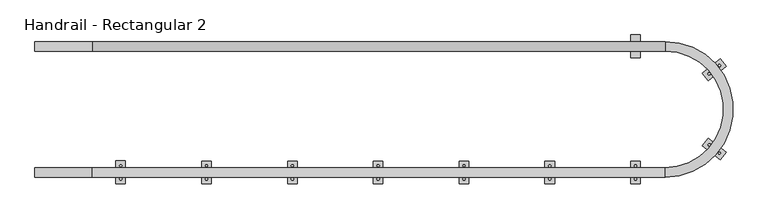
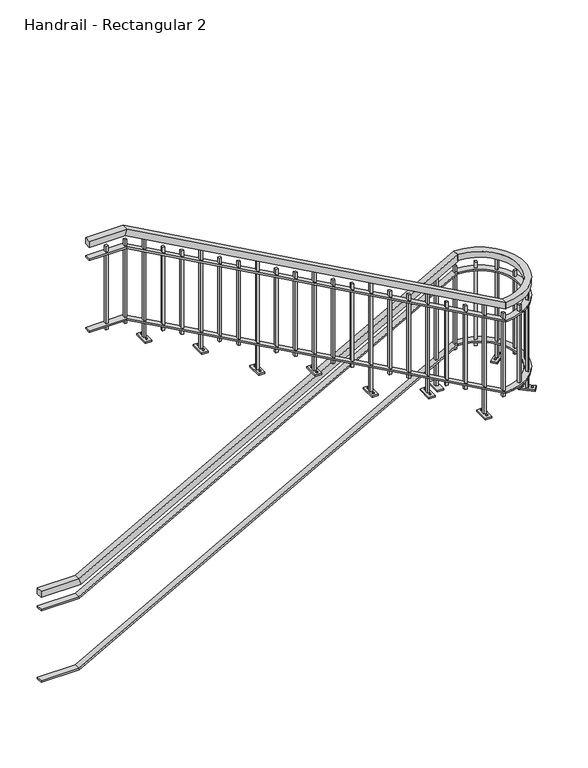
"""IFC4 building model written with IfcOpenShell, lengths in millimetres: railing geometry, Handrail - Rectangular 2."""

import ifcopenshell
import ifcopenshell.guid

model = None  # the IFC model being written
_history = None  # IfcOwnerHistory: only IFC2X3 demands one
_inside = {}  # id of a spatial element -> (the spatial element, [elements in it])
_under = {}  # id of a project, library or spatial element -> (it, [spatial elements below it])
_declared = {}  # id of a project -> (the project, [libraries it declares])
_typed = {}  # id of a type object -> (the type object, [elements of that type])
_made_of = {}  # id of a material, layer set ... -> (it, [elements and type objects made of it])


def new_model(schema):
    """Start an empty IFC model of exactly this schema.

    Asked for "IFC4X3", IfcOpenShell would pick the latest addendum, in which some entities
    have other attributes; the version numbers below select the first issue.
    IFC2X3 requires an IfcOwnerHistory on every rooted entity: one is made here for all.
    """
    global model, _history
    if schema == "IFC4X3":
        model = ifcopenshell.file(schema_version=(4, 3, 0, 0))
    else:
        model = ifcopenshell.file(schema=schema)
    _inside.clear()
    _under.clear()
    _declared.clear()
    _typed.clear()
    _made_of.clear()
    _history = None
    if model.schema == "IFC2X3":
        org = make("IfcOrganization", Name="unknown")
        user = make(
            "IfcPersonAndOrganization",
            ThePerson=make("IfcPerson", FamilyName="unknown"),
            TheOrganization=org,
        )
        app = make(
            "IfcApplication",
            ApplicationDeveloper=org,
            Version="unknown",
            ApplicationFullName="unknown",
            ApplicationIdentifier="unknown",
        )
        _history = make(
            "IfcOwnerHistory",
            OwningUser=user,
            OwningApplication=app,
            ChangeAction="ADDED",
            CreationDate=0,
        )
    return model


def make(cls, **values):
    """One entity of the class cls with the attributes given. An attribute that is None is left unset."""
    return model.create_entity(
        cls, **{name: value for name, value in values.items() if value is not None}
    )


def rooted(cls, **values):
    """An entity with a GlobalId (a new one), such as an element, a storey or a relation."""
    return make(cls, GlobalId=ifcopenshell.guid.new(), OwnerHistory=_history, **values)


def si_unit(unit_type, name, prefix=None):
    """IfcSIUnit, for example si_unit("LENGTHUNIT", "METRE", prefix="MILLI")."""
    return make("IfcSIUnit", UnitType=unit_type, Prefix=prefix, Name=name)


def assignment(units):
    """IfcUnitAssignment: the units of a project."""
    return None if units is None else make("IfcUnitAssignment", Units=units)


def point(xyz):
    """IfcCartesianPoint."""
    return None if xyz is None else make("IfcCartesianPoint", Coordinates=xyz)


def direction(xyz):
    """IfcDirection."""
    return None if xyz is None else make("IfcDirection", DirectionRatios=xyz)


def frame(location, z_axis=None, x_axis=None):
    """IfcAxis2Placement3D, a coordinate frame: its origin and axes. An axis left out is left unset."""
    return make(
        "IfcAxis2Placement3D",
        Location=point(location),
        Axis=direction(z_axis),
        RefDirection=direction(x_axis),
    )


def origin():
    """The frame at (0, 0, 0) with its axes left unset."""
    return frame((0.0, 0.0, 0.0))


def place(relative_to, where):
    """IfcLocalPlacement: puts the frame where relative to a parent placement (None: the world)."""
    return make(
        "IfcLocalPlacement", PlacementRelTo=relative_to, RelativePlacement=where
    )


def context(
    kind, dimensions, precision=None, world=None, true_north=None, identifier=None
):
    """IfcGeometricRepresentationContext, for example the 3D "Model" context."""
    return make(
        "IfcGeometricRepresentationContext",
        ContextIdentifier=identifier,
        ContextType=kind,
        CoordinateSpaceDimension=dimensions,
        Precision=precision,
        WorldCoordinateSystem=world,
        TrueNorth=true_north,
    )


def project(units=None, contexts=None):
    """IfcProject with its units and contexts."""
    return rooted(
        "IfcProject",
        Name="project",
        RepresentationContexts=contexts,
        UnitsInContext=assignment(units),
    )


def spatial(cls, under=None, at=None, **own):
    """A site, building, storey or space (cls), placed at a placement, below another one or the project."""
    s = rooted(cls, ObjectPlacement=at, **own)
    if under is not None:
        _under.setdefault(under.id(), (under, []))[1].append(s)
    return s


def polyline(points):
    """IfcPolyline through the points."""
    return make("IfcPolyline", Points=[point(p) for p in points])


def circle_curve(where, radius):
    """IfcCircle in the frame where."""
    return make("IfcCircle", Position=where, Radius=radius)


def outline(outer, holes=None, kind="AREA"):
    """IfcArbitraryClosedProfileDef: a profile drawn as a closed curve; with holes, ...WithVoids."""
    if holes is None:
        return make("IfcArbitraryClosedProfileDef", ProfileType=kind, OuterCurve=outer)
    return make(
        "IfcArbitraryProfileDefWithVoids",
        ProfileType=kind,
        OuterCurve=outer,
        InnerCurves=holes,
    )


def extrude(swept, where, along, depth):
    """IfcExtrudedAreaSolid: the profile swept, set in the frame where, extruded along a direction by depth."""
    return make(
        "IfcExtrudedAreaSolid",
        SweptArea=swept,
        Position=where,
        ExtrudedDirection=direction(along),
        Depth=depth,
    )


def faces_of(points, faces, orient=None, outer=None):
    """IfcFace entities. A face is a list of loops; a loop is a list of indices into points, from 0.

    orient and outer hold one flag for each loop. By default every Orientation is true, the
    first loop of a face is its IfcFaceOuterBound and the others are IfcFaceBound.
    """
    made = []
    for i, loops in enumerate(faces):
        bounds = []
        for j, loop in enumerate(loops):
            is_outer = j == 0 if outer is None else outer[i][j]
            bounds.append(
                make(
                    "IfcFaceOuterBound" if is_outer else "IfcFaceBound",
                    Bound=make("IfcPolyLoop", Polygon=[points[k] for k in loop]),
                    Orientation=True if orient is None else orient[i][j],
                )
            )
        made.append(make("IfcFace", Bounds=bounds))
    return made


def faceted_brep(points, faces, orient=None, outer=None, voids=None):
    """IfcFacetedBrep: a solid bounded by flat faces; with voids (closed shells), ...WithVoids."""
    shared = [point(p) for p in points]
    hull = make("IfcClosedShell", CfsFaces=faces_of(shared, faces, orient, outer))
    if voids is None:
        return make("IfcFacetedBrep", Outer=hull)
    return make(
        "IfcFacetedBrepWithVoids",
        Outer=hull,
        Voids=[
            make(cls, CfsFaces=faces_of(shared, fs, o, b)) for cls, fs, o, b in voids
        ],
    )


def shape(context_of_items, identifier, shape_type, items):
    """IfcShapeRepresentation: the items that make up one representation, for example the "Body"."""
    return make(
        "IfcShapeRepresentation",
        ContextOfItems=context_of_items,
        RepresentationIdentifier=identifier,
        RepresentationType=shape_type,
        Items=items,
    )


def source(mapping_origin, context_of_items, identifier, shape_type, items):
    """IfcRepresentationMap: a shape defined once, which mapped items show again and again."""
    return make(
        "IfcRepresentationMap",
        MappingOrigin=mapping_origin,
        MappedRepresentation=shape(context_of_items, identifier, shape_type, items),
    )


def transform(
    local_origin,
    x_axis=None,
    y_axis=None,
    z_axis=None,
    scale=None,
    scale2=None,
    scale3=None,
    uniform=True,
):
    """IfcCartesianTransformationOperator3D, or its non-uniform kind. x_axis, y_axis, z_axis: its Axis1, 2, 3."""
    if uniform:
        return make(
            "IfcCartesianTransformationOperator3D",
            Axis1=direction(x_axis),
            Axis2=direction(y_axis),
            LocalOrigin=point(local_origin),
            Scale=scale,
            Axis3=direction(z_axis),
        )
    return make(
        "IfcCartesianTransformationOperator3DnonUniform",
        Axis1=direction(x_axis),
        Axis2=direction(y_axis),
        LocalOrigin=point(local_origin),
        Scale=scale,
        Axis3=direction(z_axis),
        Scale2=scale2,
        Scale3=scale3,
    )


def mapped(mapping_source, mapping_target):
    """IfcMappedItem: shows the shape of a source again, moved by a transform."""
    return make(
        "IfcMappedItem", MappingSource=mapping_source, MappingTarget=mapping_target
    )


def made_of(thing, what):
    """Note that an element or type object is made of a material, layer set ...; save() writes the relation."""
    if what is not None:
        _made_of.setdefault(what.id(), (what, []))[1].append(thing)
    return thing


def element(
    cls,
    number,
    at=None,
    inside=None,
    cuts=None,
    type_object=None,
    material=None,
    context=None,
    identifier="Body",
    shape_type=None,
    held_by="IfcProductDefinitionShape",
    body=None,
    shapes=None,
    **own,
):
    """One element of the class cls, such as IfcWall. Its Tag is "e" and its number.

    at: its placement. inside: the storey or other place that contains it. cuts: it is an
    opening in that element (IfcRelVoidsElement). A single representation is given by context,
    identifier, shape_type and body (its items); several are given by shapes. held_by: the class
    of the entity that holds the representations. save() writes the other relations.
    """
    e = rooted(cls, Tag="e%d" % number, ObjectPlacement=at, **own)
    if body is not None:
        shapes = [shape(context, identifier, shape_type, body)]
    if shapes is not None:
        e.Representation = make(held_by, Representations=shapes)
    if inside is not None:
        _inside.setdefault(inside.id(), (inside, []))[1].append(e)
    if cuts is not None:
        rooted(
            "IfcRelVoidsElement", RelatingBuildingElement=cuts, RelatedOpeningElement=e
        )
    if type_object is not None:
        _typed.setdefault(type_object.id(), (type_object, []))[1].append(e)
    return made_of(e, material)


def aggregate(whole, parts):
    """IfcRelAggregates: a whole, such as a stair, and the parts it consists of."""
    return rooted("IfcRelAggregates", RelatingObject=whole, RelatedObjects=parts)


def save(model, path):
    """Write the relations noted so far, then the file.

    IfcRelAggregates (storeys below a building ...), IfcRelContainedInSpatialStructure (elements
    in a storey), IfcRelDefinesByType, IfcRelAssociatesMaterial and IfcRelDeclares: one each for
    every whole, place, type object, material and project.
    """
    for whole, parts in _under.values():
        aggregate(whole, parts)
    for where, things in _inside.values():
        rooted(
            "IfcRelContainedInSpatialStructure",
            RelatedElements=things,
            RelatingStructure=where,
        )
    for kind, things in _typed.values():
        rooted("IfcRelDefinesByType", RelatedObjects=things, RelatingType=kind)
    for what, things in _made_of.values():
        rooted("IfcRelAssociatesMaterial", RelatedObjects=things, RelatingMaterial=what)
    for by, libraries in _declared.values():
        rooted("IfcRelDeclares", RelatingContext=by, RelatedDefinitions=libraries)
    model.write(path)


def plane_surface(at):
    """IfcPlane: the flat surface through the origin of the frame at, square to its z axis."""
    return make("IfcPlane", Position=at)


def cylinder_surface(at, radius):
    """IfcCylindricalSurface: all points at the distance radius from the z axis of the frame at."""
    return make("IfcCylindricalSurface", Position=at, Radius=radius)


def revolved_surface(curve, axis_point, axis_direction):
    """IfcSurfaceOfRevolution: the curve turned about the line through axis_point along axis_direction."""
    return make(
        "IfcSurfaceOfRevolution",
        SweptCurve=make("IfcArbitraryOpenProfileDef", ProfileType="CURVE", Curve=curve),
        AxisPosition=make("IfcAxis1Placement", Location=point(axis_point), Axis=direction(axis_direction)),
    )


def advanced_brep(points, edges, surfaces, faces):
    """IfcAdvancedBrep: a solid bounded by faces that lie on surfaces and meet in shared edges.

    An edge is (start, end): straight between two places in points (the first is 0);
    or (start, end, curve); or (start, end, curve, False) where it runs against its curve.
    A face is (place in surfaces, loops), or (place, loops, False) where it looks against
    its surface's normal. A loop lists edges by number (the first is 1), with a minus sign
    where the edge is run from its end to its start. The first loop is the outer one.
    """
    corners = [point(p) for p in points]
    vertices = [make("IfcVertexPoint", VertexGeometry=c) for c in corners]
    made = []
    for start, end, *more in edges:
        made.append(
            make(
                "IfcEdgeCurve",
                EdgeStart=vertices[start],
                EdgeEnd=vertices[end],
                EdgeGeometry=more[0] if more else make("IfcPolyline", Points=[corners[start], corners[end]]),
                SameSense=more[1] if len(more) > 1 else True,
            )
        )
    hull = []
    for where, loops, *sense in faces:
        bounds = []
        for j, loop in enumerate(loops):
            ring = [make("IfcOrientedEdge", EdgeElement=made[abs(k) - 1], Orientation=k > 0) for k in loop]
            bounds.append(
                make(
                    "IfcFaceOuterBound" if j == 0 else "IfcFaceBound",
                    Bound=make("IfcEdgeLoop", EdgeList=ring),
                    Orientation=True,
                )
            )
        hull.append(make("IfcAdvancedFace", Bounds=bounds, FaceSurface=surfaces[where], SameSense=sense[0] if sense else True))
    return make("IfcAdvancedBrep", Outer=make("IfcClosedShell", CfsFaces=hull))


def handrail_rectangular_2_3761263d(model_context):
    return source(origin(), model_context, "Body", "SolidModel", [
        faceted_brep([(-6391.2925109, -5957.197576, 914.4), (-6391.2925109, -5906.397576, 914.4), (-6391.2925109, -5906.397576, 863.6), (-6391.2925109, -5957.197576, 863.6), (-6086.4925109, -5957.197576, 914.4), (-6086.4925109, -5906.397576, 914.4), (-6073.3289087, -5906.397576, 863.6), (-6073.3289087, -5957.197576, 863.6), (-3038.4925109, -5957.197576, 2607.7333333), (-3038.4925109, -5957.197576, 2549.620221), (-3038.4925109, -5906.397576, 2549.620221), (-3038.4925109, -5906.397576, 2607.7333333)], [[[0, 1, 2, 3]], [[1, 0, 4, 5]], [[2, 1, 5, 6]], [[3, 2, 6, 7]], [[0, 3, 7, 4]], [[8, 9, 10, 11]], [[5, 4, 8, 11]], [[6, 5, 11, 10]], [[7, 6, 10, 9]], [[4, 7, 9, 8]]]),
        advanced_brep(
        [(-3038.4925109, -6627.6254865, 2607.7333333), (-3038.4925109, -5906.397576, 2607.7333333), (-3038.4925109, -5957.197576, 2607.7333333), (-3038.4925109, -6576.8254865, 2607.7333333), (-3038.4925109, -6627.6254865, 2556.9333333), (-3038.4925109, -5906.397576, 2556.9333333), (-3038.4925109, -6576.8254865, 2556.9333333), (-3038.4925109, -5957.197576, 2556.9333333)],
        [
            (0, 1, circle_curve(frame((-3038.4925109, -6267.0115313, 2607.7333333), z_axis=(0.0, 0.0, 1.0), x_axis=(0.0, 1.0, 0.0)), 360.6139552)),
            (1, 2),
            (2, 3, circle_curve(frame((-3038.4925109, -6267.0115313, 2607.7333333), z_axis=(0.0, 0.0, -1.0), x_axis=(0.0, 1.0, 0.0)), 309.8139552)),
            (3, 0),
            (4, 5, circle_curve(frame((-3038.4925109, -6267.0115313, 2556.9333333), z_axis=(0.0, 0.0, 1.0), x_axis=(0.0, 1.0, 0.0)), 360.6139552)),
            (5, 1),
            (0, 4),
            (6, 7, circle_curve(frame((-3038.4925109, -6267.0115313, 2556.9333333), z_axis=(0.0, 0.0, 1.0), x_axis=(0.0, 1.0, 0.0)), 309.8139552)),
            (7, 5),
            (4, 6),
            (2, 7),
            (6, 3),
        ],
        [
            plane_surface(frame((-3038.4925109, -6267.0115313, 2607.7333333), z_axis=(0.0, 0.0, 1.0), x_axis=(0.0, 1.0, 0.0))),
            cylinder_surface(frame((-3038.4925109, -6267.0115313, 2607.7333333), z_axis=(0.0, 0.0, -1.0), x_axis=(0.0, 1.0, 0.0)), 360.6139552),
            plane_surface(frame((-3038.4925109, -6267.0115313, 2556.9333333), z_axis=(0.0, 0.0, -1.0), x_axis=(0.0, 1.0, 0.0))),
            revolved_surface(polyline([(-3038.4925109, -5957.197576099999, 2556.9333333), (-3038.4925109, -5957.197576099999, 2607.7333333)]), (-3038.4925109, -6267.0115313, 2607.7333333), (0.0, 0.0, -1.0)),
            plane_surface(frame((-3038.4925109, -5931.797576, 2607.7333333), z_axis=(-1.0, 0.0, 0.0), x_axis=(0.0, 1.0, 0.0))),
            plane_surface(frame((-3038.4925109, -6602.2254865, 2607.7333333), z_axis=(-1.0, 0.0, 0.0), x_axis=(0.0, -1.0, 0.0))),
        ],
        [
            (0, [[1, 2, 3, 4]]),
            (1, [[5, 6, -1, 7]]),
            (2, [[8, 9, -5, 10]]),
            (3, [[-3, 11, -8, 12]]),
            (4, [[-2, -6, -9, -11]]),
            (5, [[-12, -10, -7, -4]]),
        ],
    ),
        faceted_brep([(-3038.4925109, -6576.8254865, 2607.7333333), (-3038.4925109, -6627.6254865, 2607.7333333), (-3038.4925109, -6627.6254865, 2549.620221), (-3038.4925109, -6576.8254865, 2549.620221), (-6086.4925109, -6576.8254865, 4301.0666667), (-6086.4925109, -6627.6254865, 4301.0666667), (-6099.6561132, -6627.6254865, 4250.2666667), (-6099.6561132, -6576.8254865, 4250.2666667), (-6391.2925109, -6576.8254865, 4301.0666667), (-6391.2925109, -6576.8254865, 4250.2666667), (-6391.2925109, -6627.6254865, 4250.2666667), (-6391.2925109, -6627.6254865, 4301.0666667)], [[[0, 1, 2, 3]], [[1, 0, 4, 5]], [[2, 1, 5, 6]], [[3, 2, 6, 7]], [[0, 3, 7, 4]], [[8, 9, 10, 11]], [[5, 4, 8, 11]], [[6, 5, 11, 10]], [[7, 6, 10, 9]], [[4, 7, 9, 8]]]),
        faceted_brep([(-6391.2925109, -5957.197576, 762.0), (-6391.2925109, -5906.397576, 762.0), (-6391.2925109, -5906.397576, 749.3), (-6391.2925109, -5957.197576, 749.3), (-6086.4925109, -5957.197576, 762.0), (-6086.4925109, -5906.397576, 762.0), (-6083.2016104, -5906.397576, 749.3), (-6083.2016104, -5957.197576, 749.3), (-3038.4925109, -5957.197576, 2455.3333333), (-3038.4925109, -5957.197576, 2440.8050552), (-3038.4925109, -5906.397576, 2440.8050552), (-3038.4925109, -5906.397576, 2455.3333333)], [[[0, 1, 2, 3]], [[1, 0, 4, 5]], [[2, 1, 5, 6]], [[3, 2, 6, 7]], [[0, 3, 7, 4]], [[8, 9, 10, 11]], [[5, 4, 8, 11]], [[6, 5, 11, 10]], [[7, 6, 10, 9]], [[4, 7, 9, 8]]]),
        advanced_brep(
        [(-3038.4925109, -6627.6254865, 2455.3333333), (-3038.4925109, -5906.397576, 2455.3333333), (-3038.4925109, -5957.197576, 2455.3333333), (-3038.4925109, -6576.8254865, 2455.3333333), (-3038.4925109, -6627.6254865, 2442.6333333), (-3038.4925109, -5906.397576, 2442.6333333), (-3038.4925109, -6576.8254865, 2442.6333333), (-3038.4925109, -5957.197576, 2442.6333333)],
        [
            (0, 1, circle_curve(frame((-3038.4925109, -6267.0115313, 2455.3333333), z_axis=(0.0, 0.0, 1.0), x_axis=(0.0, 1.0, 0.0)), 360.6139552)),
            (1, 2),
            (2, 3, circle_curve(frame((-3038.4925109, -6267.0115313, 2455.3333333), z_axis=(0.0, 0.0, -1.0), x_axis=(0.0, 1.0, 0.0)), 309.8139552)),
            (3, 0),
            (4, 5, circle_curve(frame((-3038.4925109, -6267.0115313, 2442.6333333), z_axis=(0.0, 0.0, 1.0), x_axis=(0.0, 1.0, 0.0)), 360.6139552)),
            (5, 1),
            (0, 4),
            (6, 7, circle_curve(frame((-3038.4925109, -6267.0115313, 2442.6333333), z_axis=(0.0, 0.0, 1.0), x_axis=(0.0, 1.0, 0.0)), 309.8139552)),
            (7, 5),
            (4, 6),
            (2, 7),
            (6, 3),
        ],
        [
            plane_surface(frame((-3038.4925109, -6267.0115313, 2455.3333333), z_axis=(0.0, 0.0, 1.0), x_axis=(0.0, 1.0, 0.0))),
            cylinder_surface(frame((-3038.4925109, -6267.0115313, 2455.3333333), z_axis=(0.0, 0.0, -1.0), x_axis=(0.0, 1.0, 0.0)), 360.6139552),
            plane_surface(frame((-3038.4925109, -6267.0115313, 2442.6333333), z_axis=(0.0, 0.0, -1.0), x_axis=(0.0, 1.0, 0.0))),
            revolved_surface(polyline([(-3038.4925109, -5957.197576099999, 2442.6333333), (-3038.4925109, -5957.197576099999, 2455.3333333)]), (-3038.4925109, -6267.0115313, 2455.3333333), (0.0, 0.0, -1.0)),
            plane_surface(frame((-3038.4925109, -5931.797576, 2455.3333333), z_axis=(-1.0, 0.0, 0.0), x_axis=(0.0, 1.0, 0.0))),
            plane_surface(frame((-3038.4925109, -6602.2254865, 2455.3333333), z_axis=(-1.0, 0.0, 0.0), x_axis=(0.0, -1.0, 0.0))),
        ],
        [
            (0, [[1, 2, 3, 4]]),
            (1, [[5, 6, -1, 7]]),
            (2, [[8, 9, -5, 10]]),
            (3, [[-3, 11, -8, 12]]),
            (4, [[-2, -6, -9, -11]]),
            (5, [[-12, -10, -7, -4]]),
        ],
    ),
        faceted_brep([(-3038.4925109, -6576.8254865, 2455.3333333), (-3038.4925109, -6627.6254865, 2455.3333333), (-3038.4925109, -6627.6254865, 2440.8050552), (-3038.4925109, -6576.8254865, 2440.8050552), (-6086.4925109, -6576.8254865, 4148.6666667), (-6086.4925109, -6627.6254865, 4148.6666667), (-6089.7834115, -6627.6254865, 4135.9666667), (-6089.7834115, -6576.8254865, 4135.9666667), (-6391.2925109, -6576.8254865, 4148.6666667), (-6391.2925109, -6576.8254865, 4135.9666667), (-6391.2925109, -6627.6254865, 4135.9666667), (-6391.2925109, -6627.6254865, 4148.6666667)], [[[0, 1, 2, 3]], [[1, 0, 4, 5]], [[2, 1, 5, 6]], [[3, 2, 6, 7]], [[0, 3, 7, 4]], [[8, 9, 10, 11]], [[5, 4, 8, 11]], [[6, 5, 11, 10]], [[7, 6, 10, 9]], [[4, 7, 9, 8]]]),
        faceted_brep([(-6391.2925109, -5957.197576, 152.4), (-6391.2925109, -5906.397576, 152.4), (-6391.2925109, -5906.397576, 139.7), (-6391.2925109, -5957.197576, 139.7), (-6086.4925109, -5957.197576, 152.4), (-6086.4925109, -5906.397576, 152.4), (-6083.2016104, -5906.397576, 139.7), (-6083.2016104, -5957.197576, 139.7), (-3038.4925109, -5957.197576, 1845.7333333), (-3038.4925109, -5957.197576, 1831.2050552), (-3038.4925109, -5906.397576, 1831.2050552), (-3038.4925109, -5906.397576, 1845.7333333)], [[[0, 1, 2, 3]], [[1, 0, 4, 5]], [[2, 1, 5, 6]], [[3, 2, 6, 7]], [[0, 3, 7, 4]], [[8, 9, 10, 11]], [[5, 4, 8, 11]], [[6, 5, 11, 10]], [[7, 6, 10, 9]], [[4, 7, 9, 8]]]),
        advanced_brep(
        [(-3038.4925109, -6627.6254865, 1845.7333333), (-3038.4925109, -5906.397576, 1845.7333333), (-3038.4925109, -5957.197576, 1845.7333333), (-3038.4925109, -6576.8254865, 1845.7333333), (-3038.4925109, -6627.6254865, 1833.0333333), (-3038.4925109, -5906.397576, 1833.0333333), (-3038.4925109, -6576.8254865, 1833.0333333), (-3038.4925109, -5957.197576, 1833.0333333)],
        [
            (0, 1, circle_curve(frame((-3038.4925109, -6267.0115313, 1845.7333333), z_axis=(0.0, 0.0, 1.0), x_axis=(0.0, 1.0, 0.0)), 360.6139552)),
            (1, 2),
            (2, 3, circle_curve(frame((-3038.4925109, -6267.0115313, 1845.7333333), z_axis=(0.0, 0.0, -1.0), x_axis=(0.0, 1.0, 0.0)), 309.8139552)),
            (3, 0),
            (4, 5, circle_curve(frame((-3038.4925109, -6267.0115313, 1833.0333333), z_axis=(0.0, 0.0, 1.0), x_axis=(0.0, 1.0, 0.0)), 360.6139552)),
            (5, 1),
            (0, 4),
            (6, 7, circle_curve(frame((-3038.4925109, -6267.0115313, 1833.0333333), z_axis=(0.0, 0.0, 1.0), x_axis=(0.0, 1.0, 0.0)), 309.8139552)),
            (7, 5),
            (4, 6),
            (2, 7),
            (6, 3),
        ],
        [
            plane_surface(frame((-3038.4925109, -6267.0115313, 1845.7333333), z_axis=(0.0, 0.0, 1.0), x_axis=(0.0, 1.0, 0.0))),
            cylinder_surface(frame((-3038.4925109, -6267.0115313, 1845.7333333), z_axis=(0.0, 0.0, -1.0), x_axis=(0.0, 1.0, 0.0)), 360.6139552),
            plane_surface(frame((-3038.4925109, -6267.0115313, 1833.0333333), z_axis=(0.0, 0.0, -1.0), x_axis=(0.0, 1.0, 0.0))),
            revolved_surface(polyline([(-3038.4925109, -5957.197576099999, 1833.0333333), (-3038.4925109, -5957.197576099999, 1845.7333333)]), (-3038.4925109, -6267.0115313, 1845.7333333), (0.0, 0.0, -1.0)),
            plane_surface(frame((-3038.4925109, -5931.797576, 1845.7333333), z_axis=(-1.0, 0.0, 0.0), x_axis=(0.0, 1.0, 0.0))),
            plane_surface(frame((-3038.4925109, -6602.2254865, 1845.7333333), z_axis=(-1.0, 0.0, 0.0), x_axis=(0.0, -1.0, 0.0))),
        ],
        [
            (0, [[1, 2, 3, 4]]),
            (1, [[5, 6, -1, 7]]),
            (2, [[8, 9, -5, 10]]),
            (3, [[-3, 11, -8, 12]]),
            (4, [[-2, -6, -9, -11]]),
            (5, [[-12, -10, -7, -4]]),
        ],
    ),
        faceted_brep([(-3038.4925109, -6576.8254865, 1845.7333333), (-3038.4925109, -6627.6254865, 1845.7333333), (-3038.4925109, -6627.6254865, 1831.2050552), (-3038.4925109, -6576.8254865, 1831.2050552), (-6086.4925109, -6576.8254865, 3539.0666667), (-6086.4925109, -6627.6254865, 3539.0666667), (-6089.7834115, -6627.6254865, 3526.3666667), (-6089.7834115, -6576.8254865, 3526.3666667), (-6391.2925109, -6576.8254865, 3539.0666667), (-6391.2925109, -6576.8254865, 3526.3666667), (-6391.2925109, -6627.6254865, 3526.3666667), (-6391.2925109, -6627.6254865, 3539.0666667)], [[[0, 1, 2, 3]], [[1, 0, 4, 5]], [[2, 1, 5, 6]], [[3, 2, 6, 7]], [[0, 3, 7, 4]], [[8, 9, 10, 11]], [[5, 4, 8, 11]], [[6, 5, 11, 10]], [[7, 6, 10, 9]], [[4, 7, 9, 8]]]),
        extrude(outline(polyline([(-6229.6360266, -6592.7004865), (-6229.6360266, -6611.7504865), (-6248.6860266, -6611.7504865), (-6248.6860266, -6592.7004865), (-6229.6360266, -6592.7004865)])), frame((0.0, 0.0, 3488.2666667), z_axis=(0.0, 0.0, 1.0), x_axis=(1.0, 0.0, 0.0)), (0.0, 0.0, 1.0), 711.2),
        extrude(outline(polyline([(-6077.5045423, -6592.7004865), (-6077.5045423, -6611.7504865), (-6096.5545423, -6611.7504865), (-6096.5545423, -6592.7004865), (-6077.5045423, -6592.7004865)])), frame((0.0, 0.0, 3488.2666667), z_axis=(0.0, 0.0, 1.0), x_axis=(1.0, 0.0, 0.0)), (0.0, 0.0, 1.0), 711.2),
        faceted_brep([(-5909.498058, -6662.5504865, 3302.4475262), (-5960.298058, -6662.5504865, 3302.4475262), (-5960.298058, -6541.9004865, 3302.4475262), (-5909.498058, -6541.9004865, 3302.4475262), (-5925.373058, -6592.7004865, 4153.4427472), (-5925.373058, -6611.7504865, 4153.4427472), (-5925.373058, -6611.7504865, 3315.1475262), (-5925.373058, -6592.7004865, 3315.1475262), (-5944.423058, -6592.7004865, 4164.0260805), (-5944.423058, -6592.7004865, 3315.1475262), (-5944.423058, -6611.7504865, 4164.0260805), (-5944.423058, -6611.7504865, 3315.1475262), (-5909.498058, -6662.5504865, 3315.1475262), (-5909.498058, -6541.9004865, 3315.1475262), (-5960.298058, -6541.9004865, 3315.1475262), (-5960.298058, -6662.5504865, 3315.1475262)], [[[0, 1, 2, 3]], [[4, 5, 6, 7]], [[8, 4, 7, 9]], [[10, 8, 9, 11]], [[5, 10, 11, 6]], [[5, 4, 8, 10]], [[12, 13, 14, 15], [7, 6, 11, 9]], [[13, 12, 0, 3]], [[14, 13, 3, 2]], [[15, 14, 2, 1]], [[12, 15, 1, 0]]]),
        extrude(outline(polyline([(-5927.5657096, -6567.3004865), (-5931.2318838, -6573.6504865), (-5938.5642322, -6573.6504865), (-5942.2304064, -6567.3004865), (-5938.5642322, -6560.9504865), (-5931.2318838, -6560.9504865), (-5927.5657096, -6567.3004865)])), frame((0.0, 0.0, 3315.1475262), z_axis=(0.0, 0.0, 1.0), x_axis=(1.0, 0.0, 0.0)), (0.0, 0.0, 1.0), 6.35),
        extrude(outline(polyline([(-5927.5657096, -6637.1504865), (-5931.2318838, -6643.5004865), (-5938.5642322, -6643.5004865), (-5942.2304064, -6637.1504865), (-5938.5642322, -6630.8004865), (-5931.2318838, -6630.8004865), (-5927.5657096, -6637.1504865)])), frame((0.0, 0.0, 3315.1475262), z_axis=(0.0, 0.0, 1.0), x_axis=(1.0, 0.0, 0.0)), (0.0, 0.0, 1.0), 6.35),
        extrude(outline(polyline([(-5773.2415737, -6592.7004865), (-5773.2415737, -6611.7504865), (-5792.2915737, -6611.7504865), (-5792.2915737, -6592.7004865), (-5773.2415737, -6592.7004865)])), frame((0.0, 0.0, 3319.5300349), z_axis=(0.0, 0.0, 1.0), x_axis=(1.0, 0.0, 0.0)), (0.0, 0.0, 1.0), 711.2),
        extrude(outline(polyline([(-5621.1100894, -6592.7004865), (-5621.1100894, -6611.7504865), (-5640.1600894, -6611.7504865), (-5640.1600894, -6592.7004865), (-5621.1100894, -6592.7004865)])), frame((0.0, 0.0, 3235.0125436), z_axis=(0.0, 0.0, 1.0), x_axis=(1.0, 0.0, 0.0)), (0.0, 0.0, 1.0), 711.2),
        faceted_brep([(-5453.1036051, -6662.5504865, 3048.0), (-5503.9036051, -6662.5504865, 3048.0), (-5503.9036051, -6541.9004865, 3048.0), (-5453.1036051, -6541.9004865, 3048.0), (-5468.9786051, -6592.7004865, 3899.8902733), (-5468.9786051, -6611.7504865, 3899.8902733), (-5468.9786051, -6611.7504865, 3060.7), (-5468.9786051, -6592.7004865, 3060.7), (-5488.0286051, -6592.7004865, 3910.4736067), (-5488.0286051, -6592.7004865, 3060.7), (-5488.0286051, -6611.7504865, 3910.4736067), (-5488.0286051, -6611.7504865, 3060.7), (-5453.1036051, -6662.5504865, 3060.7), (-5453.1036051, -6541.9004865, 3060.7), (-5503.9036051, -6541.9004865, 3060.7), (-5503.9036051, -6662.5504865, 3060.7)], [[[0, 1, 2, 3]], [[4, 5, 6, 7]], [[8, 4, 7, 9]], [[10, 8, 9, 11]], [[5, 10, 11, 6]], [[5, 4, 8, 10]], [[12, 13, 14, 15], [7, 6, 11, 9]], [[13, 12, 0, 3]], [[14, 13, 3, 2]], [[15, 14, 2, 1]], [[12, 15, 1, 0]]]),
        extrude(outline(polyline([(-5471.1712567, -6567.3004865), (-5474.8374309, -6573.6504865), (-5482.1697793, -6573.6504865), (-5485.8359536, -6567.3004865), (-5482.1697793, -6560.9504865), (-5474.8374309, -6560.9504865), (-5471.1712567, -6567.3004865)])), frame((0.0, 0.0, 3060.7), z_axis=(0.0, 0.0, 1.0), x_axis=(1.0, 0.0, 0.0)), (0.0, 0.0, 1.0), 6.35),
        extrude(outline(polyline([(-5471.1712567, -6637.1504865), (-5474.8374309, -6643.5004865), (-5482.1697793, -6643.5004865), (-5485.8359536, -6637.1504865), (-5482.1697793, -6630.8004865), (-5474.8374309, -6630.8004865), (-5471.1712567, -6637.1504865)])), frame((0.0, 0.0, 3060.7), z_axis=(0.0, 0.0, 1.0), x_axis=(1.0, 0.0, 0.0)), (0.0, 0.0, 1.0), 6.35),
        extrude(outline(polyline([(-5316.8471208, -6592.7004865), (-5316.8471208, -6611.7504865), (-5335.8971208, -6611.7504865), (-5335.8971208, -6592.7004865), (-5316.8471208, -6592.7004865)])), frame((0.0, 0.0, 3065.9775611), z_axis=(0.0, 0.0, 1.0), x_axis=(1.0, 0.0, 0.0)), (0.0, 0.0, 1.0), 711.2),
        extrude(outline(polyline([(-5164.7156365, -6592.7004865), (-5164.7156365, -6611.7504865), (-5183.7656365, -6611.7504865), (-5183.7656365, -6592.7004865), (-5164.7156365, -6592.7004865)])), frame((0.0, 0.0, 2981.4600698), z_axis=(0.0, 0.0, 1.0), x_axis=(1.0, 0.0, 0.0)), (0.0, 0.0, 1.0), 711.2),
        faceted_brep([(-4996.7091522, -6662.5504865, 2709.3333333), (-5047.5091522, -6662.5504865, 2709.3333333), (-5047.5091522, -6541.9004865, 2709.3333333), (-4996.7091522, -6541.9004865, 2709.3333333), (-5012.5841522, -6592.7004865, 3646.3377995), (-5012.5841522, -6611.7504865, 3646.3377995), (-5012.5841522, -6611.7504865, 2722.0333333), (-5012.5841522, -6592.7004865, 2722.0333333), (-5031.6341522, -6592.7004865, 3656.9211328), (-5031.6341522, -6592.7004865, 2722.0333333), (-5031.6341522, -6611.7504865, 3656.9211328), (-5031.6341522, -6611.7504865, 2722.0333333), (-4996.7091522, -6662.5504865, 2722.0333333), (-4996.7091522, -6541.9004865, 2722.0333333), (-5047.5091522, -6541.9004865, 2722.0333333), (-5047.5091522, -6662.5504865, 2722.0333333)], [[[0, 1, 2, 3]], [[4, 5, 6, 7]], [[8, 4, 7, 9]], [[10, 8, 9, 11]], [[5, 10, 11, 6]], [[5, 4, 8, 10]], [[12, 13, 14, 15], [7, 6, 11, 9]], [[13, 12, 0, 3]], [[14, 13, 3, 2]], [[15, 14, 2, 1]], [[12, 15, 1, 0]]]),
        extrude(outline(polyline([(-5014.7768038, -6567.3004865), (-5018.442978, -6573.6504865), (-5025.7753265, -6573.6504865), (-5029.4415007, -6567.3004865), (-5025.7753265, -6560.9504865), (-5018.442978, -6560.9504865), (-5014.7768038, -6567.3004865)])), frame((0.0, 0.0, 2722.0333333), z_axis=(0.0, 0.0, 1.0), x_axis=(1.0, 0.0, 0.0)), (0.0, 0.0, 1.0), 6.35),
        extrude(outline(polyline([(-5014.7768038, -6637.1504865), (-5018.442978, -6643.5004865), (-5025.7753265, -6643.5004865), (-5029.4415007, -6637.1504865), (-5025.7753265, -6630.8004865), (-5018.442978, -6630.8004865), (-5014.7768038, -6637.1504865)])), frame((0.0, 0.0, 2722.0333333), z_axis=(0.0, 0.0, 1.0), x_axis=(1.0, 0.0, 0.0)), (0.0, 0.0, 1.0), 6.35),
        extrude(outline(polyline([(-4860.4526679, -6592.7004865), (-4860.4526679, -6611.7504865), (-4879.5026679, -6611.7504865), (-4879.5026679, -6592.7004865), (-4860.4526679, -6592.7004865)])), frame((0.0, 0.0, 2812.4250872), z_axis=(0.0, 0.0, 1.0), x_axis=(1.0, 0.0, 0.0)), (0.0, 0.0, 1.0), 711.2),
        extrude(outline(polyline([(-4708.3211836, -6592.7004865), (-4708.3211836, -6611.7504865), (-4727.3711836, -6611.7504865), (-4727.3711836, -6592.7004865), (-4708.3211836, -6592.7004865)])), frame((0.0, 0.0, 2727.907596), z_axis=(0.0, 0.0, 1.0), x_axis=(1.0, 0.0, 0.0)), (0.0, 0.0, 1.0), 711.2),
        faceted_brep([(-4540.3146994, -6662.5504865, 2540.0), (-4591.1146994, -6662.5504865, 2540.0), (-4591.1146994, -6541.9004865, 2540.0), (-4540.3146994, -6541.9004865, 2540.0), (-4556.1896994, -6592.7004865, 3392.7853257), (-4556.1896994, -6611.7504865, 3392.7853257), (-4556.1896994, -6611.7504865, 2552.7), (-4556.1896994, -6592.7004865, 2552.7), (-4575.2396994, -6592.7004865, 3403.368659), (-4575.2396994, -6592.7004865, 2552.7), (-4575.2396994, -6611.7504865, 3403.368659), (-4575.2396994, -6611.7504865, 2552.7), (-4540.3146994, -6662.5504865, 2552.7), (-4540.3146994, -6541.9004865, 2552.7), (-4591.1146994, -6541.9004865, 2552.7), (-4591.1146994, -6662.5504865, 2552.7)], [[[0, 1, 2, 3]], [[4, 5, 6, 7]], [[8, 4, 7, 9]], [[10, 8, 9, 11]], [[5, 10, 11, 6]], [[5, 4, 8, 10]], [[12, 13, 14, 15], [7, 6, 11, 9]], [[13, 12, 0, 3]], [[14, 13, 3, 2]], [[15, 14, 2, 1]], [[12, 15, 1, 0]]]),
        extrude(outline(polyline([(-4558.3823509, -6567.3004865), (-4562.0485251, -6573.6504865), (-4569.3808736, -6573.6504865), (-4573.0470478, -6567.3004865), (-4569.3808736, -6560.9504865), (-4562.0485251, -6560.9504865), (-4558.3823509, -6567.3004865)])), frame((0.0, 0.0, 2552.7), z_axis=(0.0, 0.0, 1.0), x_axis=(1.0, 0.0, 0.0)), (0.0, 0.0, 1.0), 6.35),
        extrude(outline(polyline([(-4558.3823509, -6637.1504865), (-4562.0485251, -6643.5004865), (-4569.3808736, -6643.5004865), (-4573.0470478, -6637.1504865), (-4569.3808736, -6630.8004865), (-4562.0485251, -6630.8004865), (-4558.3823509, -6637.1504865)])), frame((0.0, 0.0, 2552.7), z_axis=(0.0, 0.0, 1.0), x_axis=(1.0, 0.0, 0.0)), (0.0, 0.0, 1.0), 6.35),
        extrude(outline(polyline([(-4404.0582151, -6592.7004865), (-4404.0582151, -6611.7504865), (-4423.1082151, -6611.7504865), (-4423.1082151, -6592.7004865), (-4404.0582151, -6592.7004865)])), frame((0.0, 0.0, 2558.8726134), z_axis=(0.0, 0.0, 1.0), x_axis=(1.0, 0.0, 0.0)), (0.0, 0.0, 1.0), 711.2),
        extrude(outline(polyline([(-4251.9267308, -6592.7004865), (-4251.9267308, -6611.7504865), (-4270.9767308, -6611.7504865), (-4270.9767308, -6592.7004865), (-4251.9267308, -6592.7004865)])), frame((0.0, 0.0, 2474.3551221), z_axis=(0.0, 0.0, 1.0), x_axis=(1.0, 0.0, 0.0)), (0.0, 0.0, 1.0), 711.2),
        faceted_brep([(-4083.9202465, -6662.5504865, 2201.3333333), (-4134.7202465, -6662.5504865, 2201.3333333), (-4134.7202465, -6541.9004865, 2201.3333333), (-4083.9202465, -6541.9004865, 2201.3333333), (-4099.7952465, -6592.7004865, 3139.2328518), (-4099.7952465, -6611.7504865, 3139.2328518), (-4099.7952465, -6611.7504865, 2214.0333333), (-4099.7952465, -6592.7004865, 2214.0333333), (-4118.8452465, -6592.7004865, 3149.8161852), (-4118.8452465, -6592.7004865, 2214.0333333), (-4118.8452465, -6611.7504865, 3149.8161852), (-4118.8452465, -6611.7504865, 2214.0333333), (-4083.9202465, -6662.5504865, 2214.0333333), (-4083.9202465, -6541.9004865, 2214.0333333), (-4134.7202465, -6541.9004865, 2214.0333333), (-4134.7202465, -6662.5504865, 2214.0333333)], [[[0, 1, 2, 3]], [[4, 5, 6, 7]], [[8, 4, 7, 9]], [[10, 8, 9, 11]], [[5, 10, 11, 6]], [[5, 4, 8, 10]], [[12, 13, 14, 15], [7, 6, 11, 9]], [[13, 12, 0, 3]], [[14, 13, 3, 2]], [[15, 14, 2, 1]], [[12, 15, 1, 0]]]),
        extrude(outline(polyline([(-4101.987898, -6567.3004865), (-4105.6540723, -6573.6504865), (-4112.9864207, -6573.6504865), (-4116.6525949, -6567.3004865), (-4112.9864207, -6560.9504865), (-4105.6540723, -6560.9504865), (-4101.987898, -6567.3004865)])), frame((0.0, 0.0, 2214.0333333), z_axis=(0.0, 0.0, 1.0), x_axis=(1.0, 0.0, 0.0)), (0.0, 0.0, 1.0), 6.35),
        extrude(outline(polyline([(-4101.987898, -6637.1504865), (-4105.6540723, -6643.5004865), (-4112.9864207, -6643.5004865), (-4116.6525949, -6637.1504865), (-4112.9864207, -6630.8004865), (-4105.6540723, -6630.8004865), (-4101.987898, -6637.1504865)])), frame((0.0, 0.0, 2214.0333333), z_axis=(0.0, 0.0, 1.0), x_axis=(1.0, 0.0, 0.0)), (0.0, 0.0, 1.0), 6.35),
        extrude(outline(polyline([(-3947.6637622, -6592.7004865), (-3947.6637622, -6611.7504865), (-3966.7137622, -6611.7504865), (-3966.7137622, -6592.7004865), (-3947.6637622, -6592.7004865)])), frame((0.0, 0.0, 2305.3201396), z_axis=(0.0, 0.0, 1.0), x_axis=(1.0, 0.0, 0.0)), (0.0, 0.0, 1.0), 711.2),
        extrude(outline(polyline([(-3795.5322779, -6592.7004865), (-3795.5322779, -6611.7504865), (-3814.5822779, -6611.7504865), (-3814.5822779, -6592.7004865), (-3795.5322779, -6592.7004865)])), frame((0.0, 0.0, 2220.8026483), z_axis=(0.0, 0.0, 1.0), x_axis=(1.0, 0.0, 0.0)), (0.0, 0.0, 1.0), 711.2),
        faceted_brep([(-3627.5257936, -6662.5504865, 2032.0), (-3678.3257936, -6662.5504865, 2032.0), (-3678.3257936, -6541.9004865, 2032.0), (-3627.5257936, -6541.9004865, 2032.0), (-3643.4007936, -6592.7004865, 2885.680378), (-3643.4007936, -6611.7504865, 2885.680378), (-3643.4007936, -6611.7504865, 2044.7), (-3643.4007936, -6592.7004865, 2044.7), (-3662.4507936, -6592.7004865, 2896.2637113), (-3662.4507936, -6592.7004865, 2044.7), (-3662.4507936, -6611.7504865, 2896.2637113), (-3662.4507936, -6611.7504865, 2044.7), (-3627.5257936, -6662.5504865, 2044.7), (-3627.5257936, -6541.9004865, 2044.7), (-3678.3257936, -6541.9004865, 2044.7), (-3678.3257936, -6662.5504865, 2044.7)], [[[0, 1, 2, 3]], [[4, 5, 6, 7]], [[8, 4, 7, 9]], [[10, 8, 9, 11]], [[5, 10, 11, 6]], [[5, 4, 8, 10]], [[12, 13, 14, 15], [7, 6, 11, 9]], [[13, 12, 0, 3]], [[14, 13, 3, 2]], [[15, 14, 2, 1]], [[12, 15, 1, 0]]]),
        extrude(outline(polyline([(-3645.5934451, -6567.3004865), (-3649.2596194, -6573.6504865), (-3656.5919678, -6573.6504865), (-3660.258142, -6567.3004865), (-3656.5919678, -6560.9504865), (-3649.2596194, -6560.9504865), (-3645.5934451, -6567.3004865)])), frame((0.0, 0.0, 2044.7), z_axis=(0.0, 0.0, 1.0), x_axis=(1.0, 0.0, 0.0)), (0.0, 0.0, 1.0), 6.35),
        extrude(outline(polyline([(-3645.5934451, -6637.1504865), (-3649.2596194, -6643.5004865), (-3656.5919678, -6643.5004865), (-3660.258142, -6637.1504865), (-3656.5919678, -6630.8004865), (-3649.2596194, -6630.8004865), (-3645.5934451, -6637.1504865)])), frame((0.0, 0.0, 2044.7), z_axis=(0.0, 0.0, 1.0), x_axis=(1.0, 0.0, 0.0)), (0.0, 0.0, 1.0), 6.35),
        extrude(outline(polyline([(-3491.2693093, -6592.7004865), (-3491.2693093, -6611.7504865), (-3510.3193093, -6611.7504865), (-3510.3193093, -6592.7004865), (-3491.2693093, -6592.7004865)])), frame((0.0, 0.0, 2051.7676657), z_axis=(0.0, 0.0, 1.0), x_axis=(1.0, 0.0, 0.0)), (0.0, 0.0, 1.0), 711.2),
        extrude(outline(polyline([(-3339.137825, -6592.7004865), (-3339.137825, -6611.7504865), (-3358.187825, -6611.7504865), (-3358.187825, -6592.7004865), (-3339.137825, -6592.7004865)])), frame((0.0, 0.0, 1967.2501745), z_axis=(0.0, 0.0, 1.0), x_axis=(1.0, 0.0, 0.0)), (0.0, 0.0, 1.0), 711.2),
        faceted_brep([(-3171.1313407, -6662.5504865, 1693.3333333), (-3221.9313407, -6662.5504865, 1693.3333333), (-3221.9313407, -6541.9004865, 1693.3333333), (-3171.1313407, -6541.9004865, 1693.3333333), (-3187.0063407, -6592.7004865, 2632.1279042), (-3187.0063407, -6611.7504865, 2632.1279042), (-3187.0063407, -6611.7504865, 1706.0333333), (-3187.0063407, -6592.7004865, 1706.0333333), (-3206.0563407, -6592.7004865, 2642.7112375), (-3206.0563407, -6592.7004865, 1706.0333333), (-3206.0563407, -6611.7504865, 2642.7112375), (-3206.0563407, -6611.7504865, 1706.0333333), (-3171.1313407, -6662.5504865, 1706.0333333), (-3171.1313407, -6541.9004865, 1706.0333333), (-3221.9313407, -6541.9004865, 1706.0333333), (-3221.9313407, -6662.5504865, 1706.0333333)], [[[0, 1, 2, 3]], [[4, 5, 6, 7]], [[8, 4, 7, 9]], [[10, 8, 9, 11]], [[5, 10, 11, 6]], [[5, 4, 8, 10]], [[12, 13, 14, 15], [7, 6, 11, 9]], [[13, 12, 0, 3]], [[14, 13, 3, 2]], [[15, 14, 2, 1]], [[12, 15, 1, 0]]]),
        extrude(outline(polyline([(-3189.1989923, -6567.3004865), (-3192.8651665, -6573.6504865), (-3200.1975149, -6573.6504865), (-3203.8636891, -6567.3004865), (-3200.1975149, -6560.9504865), (-3192.8651665, -6560.9504865), (-3189.1989923, -6567.3004865)])), frame((0.0, 0.0, 1706.0333333), z_axis=(0.0, 0.0, 1.0), x_axis=(1.0, 0.0, 0.0)), (0.0, 0.0, 1.0), 6.35),
        extrude(outline(polyline([(-3189.1989923, -6637.1504865), (-3192.8651665, -6643.5004865), (-3200.1975149, -6643.5004865), (-3203.8636891, -6637.1504865), (-3200.1975149, -6630.8004865), (-3192.8651665, -6630.8004865), (-3189.1989923, -6637.1504865)])), frame((0.0, 0.0, 1706.0333333), z_axis=(0.0, 0.0, 1.0), x_axis=(1.0, 0.0, 0.0)), (0.0, 0.0, 1.0), 6.35),
        extrude(outline(polyline([(-3034.8748564, -6592.7004865), (-3034.8748564, -6611.7504865), (-3053.9248564, -6611.7504865), (-3053.9248564, -6592.7004865), (-3034.8748564, -6592.7004865)])), frame((0.0, 0.0, 1798.2151919), z_axis=(0.0, 0.0, 1.0), x_axis=(1.0, 0.0, 0.0)), (0.0, 0.0, 1.0), 711.2),
        extrude(outline(polyline([(-2892.2530425, -6558.1782173), (-2884.2042527, -6575.4443542), (-2901.4703896, -6583.4931439), (-2909.5191794, -6566.227007), (-2892.2530425, -6558.1782173)])), frame((0.0, 0.0, 1794.9333333), z_axis=(0.0, 0.0, 1.0), x_axis=(1.0, 0.0, 0.0)), (0.0, 0.0, 1.0), 711.2),
        faceted_brep([(-2715.1329028, -6496.2162192, 1693.3333333), (-2747.1052434, -6535.692914, 1693.3333333), (-2840.8623937, -6459.7586051, 1693.3333333), (-2808.8900531, -6420.2819103, 1693.3333333), (-2779.4047147, -6464.590718, 2556.9333333), (-2764.6009541, -6476.5803457, 2556.9333333), (-2764.6009541, -6476.5803457, 1706.0333333), (-2779.4047147, -6464.590718, 1706.0333333), (-2791.3943424, -6479.3944786, 2556.9333333), (-2791.3943424, -6479.3944786, 1706.0333333), (-2776.5905818, -6491.3841063, 2556.9333333), (-2776.5905818, -6491.3841063, 1706.0333333), (-2715.1329028, -6496.2162192, 1706.0333333), (-2808.8900531, -6420.2819103, 1706.0333333), (-2840.8623937, -6459.7586051, 1706.0333333), (-2747.1052434, -6535.692914, 1706.0333333)], [[[0, 1, 2, 3]], [[4, 5, 6, 7]], [[8, 4, 7, 9]], [[10, 8, 9, 11]], [[5, 10, 11, 6]], [[5, 4, 8, 10]], [[12, 13, 14, 15], [7, 6, 11, 9]], [[13, 12, 0, 3]], [[14, 13, 3, 2]], [[15, 14, 2, 1]], [[12, 15, 1, 0]]]),
        extrude(outline(polyline([(-2800.5230661, -6450.3084579), (-2797.8958842, -6457.1539855), (-2802.510694, -6462.8519556), (-2809.7526858, -6461.7043981), (-2812.3798678, -6454.8588705), (-2807.7650579, -6449.1609004), (-2800.5230661, -6450.3084579)])), frame((0.0, 0.0, 1706.0333333), z_axis=(0.0, 0.0, 1.0), x_axis=(1.0, 0.0, 0.0)), (0.0, 0.0, 1.0), 6.35),
        extrude(outline(polyline([(-2746.2426107, -6494.2704262), (-2743.6154288, -6501.1159538), (-2748.2302386, -6506.8139239), (-2755.4722304, -6505.6663664), (-2758.0994123, -6498.8208388), (-2753.4846025, -6493.1228687), (-2746.2426107, -6494.2704262)])), frame((0.0, 0.0, 1706.0333333), z_axis=(0.0, 0.0, 1.0), x_axis=(1.0, 0.0, 0.0)), (0.0, 0.0, 1.0), 6.35),
        extrude(outline(polyline([(-2719.0098315, -6331.0024581), (-2700.4481854, -6335.2882247), (-2704.733952, -6353.8498707), (-2723.295598, -6349.5641042), (-2719.0098315, -6331.0024581)])), frame((0.0, 0.0, 1794.9333333), z_axis=(0.0, 0.0, 1.0), x_axis=(1.0, 0.0, 0.0)), (0.0, 0.0, 1.0), 711.2),
        extrude(outline(polyline([(-2723.295598, -6184.4589584), (-2704.733952, -6180.1731918), (-2700.4481854, -6198.7348379), (-2719.0098315, -6203.0206044), (-2723.295598, -6184.4589584)])), frame((0.0, 0.0, 1794.9333333), z_axis=(0.0, 0.0, 1.0), x_axis=(1.0, 0.0, 0.0)), (0.0, 0.0, 1.0), 711.2),
        faceted_brep([(-2747.1052434, -5998.3301485, 1693.3333333), (-2715.1329028, -6037.8068434, 1693.3333333), (-2808.8900531, -6113.7411523, 1693.3333333), (-2840.8623937, -6074.2644574, 1693.3333333), (-2791.3943424, -6054.628584, 2556.9333333), (-2776.5905818, -6042.6389562, 2556.9333333), (-2776.5905818, -6042.6389562, 1706.0333333), (-2791.3943424, -6054.628584, 1706.0333333), (-2779.4047147, -6069.4323445, 2556.9333333), (-2779.4047147, -6069.4323445, 1706.0333333), (-2764.6009541, -6057.4427168, 2556.9333333), (-2764.6009541, -6057.4427168, 1706.0333333), (-2747.1052434, -5998.3301485, 1706.0333333), (-2840.8623937, -6074.2644574, 1706.0333333), (-2808.8900531, -6113.7411523, 1706.0333333), (-2715.1329028, -6037.8068434, 1706.0333333)], [[[0, 1, 2, 3]], [[4, 5, 6, 7]], [[8, 4, 7, 9]], [[10, 8, 9, 11]], [[5, 10, 11, 6]], [[5, 4, 8, 10]], [[12, 13, 14, 15], [7, 6, 11, 9]], [[13, 12, 0, 3]], [[14, 13, 3, 2]], [[15, 14, 2, 1]], [[12, 15, 1, 0]]]),
        extrude(outline(polyline([(-2809.7526858, -6072.3186644), (-2802.510694, -6071.1711069), (-2797.8958842, -6076.869077), (-2800.5230661, -6083.7146046), (-2807.7650579, -6084.8621622), (-2812.3798678, -6079.1641921), (-2809.7526858, -6072.3186644)])), frame((0.0, 0.0, 1706.0333333), z_axis=(0.0, 0.0, 1.0), x_axis=(1.0, 0.0, 0.0)), (0.0, 0.0, 1.0), 6.35),
        extrude(outline(polyline([(-2755.4722304, -6028.3566961), (-2748.2302386, -6027.2091386), (-2743.6154288, -6032.9071087), (-2746.2426107, -6039.7526363), (-2753.4846025, -6040.9001938), (-2758.0994123, -6035.2022237), (-2755.4722304, -6028.3566961)])), frame((0.0, 0.0, 1706.0333333), z_axis=(0.0, 0.0, 1.0), x_axis=(1.0, 0.0, 0.0)), (0.0, 0.0, 1.0), 6.35),
        extrude(outline(polyline([(-2909.5191794, -5967.7960555), (-2901.4703896, -5950.5299186), (-2884.2042527, -5958.5787083), (-2892.2530425, -5975.8448452), (-2909.5191794, -5967.7960555)])), frame((0.0, 0.0, 1794.9333333), z_axis=(0.0, 0.0, 1.0), x_axis=(1.0, 0.0, 0.0)), (0.0, 0.0, 1.0), 711.2),
        extrude(outline(polyline([(-3053.9248564, -5941.322576), (-3053.9248564, -5922.272576), (-3034.8748564, -5922.272576), (-3034.8748564, -5941.322576), (-3053.9248564, -5941.322576)])), frame((0.0, 0.0, 1791.6514747), z_axis=(0.0, 0.0, 1.0), x_axis=(1.0, 0.0, 0.0)), (0.0, 0.0, 1.0), 711.2),
        faceted_brep([(-3221.9313407, -5871.472576, 1524.0), (-3171.1313407, -5871.472576, 1524.0), (-3171.1313407, -5992.122576, 1524.0), (-3221.9313407, -5992.122576, 1524.0), (-3206.0563407, -5941.322576, 2456.5292045), (-3206.0563407, -5922.272576, 2456.5292045), (-3206.0563407, -5922.272576, 1536.7), (-3206.0563407, -5941.322576, 1536.7), (-3187.0063407, -5941.322576, 2467.1125378), (-3187.0063407, -5941.322576, 1536.7), (-3187.0063407, -5922.272576, 2467.1125378), (-3187.0063407, -5922.272576, 1536.7), (-3221.9313407, -5871.472576, 1536.7), (-3221.9313407, -5992.122576, 1536.7), (-3171.1313407, -5992.122576, 1536.7), (-3171.1313407, -5871.472576, 1536.7)], [[[0, 1, 2, 3]], [[4, 5, 6, 7]], [[8, 4, 7, 9]], [[10, 8, 9, 11]], [[5, 10, 11, 6]], [[5, 4, 8, 10]], [[12, 13, 14, 15], [7, 6, 11, 9]], [[13, 12, 0, 3]], [[14, 13, 3, 2]], [[15, 14, 2, 1]], [[12, 15, 1, 0]]]),
    ])


if __name__ == "__main__":
    model = new_model("IFC4")
    model_context = context("Model", 3, world=origin())
    ifc_project = project(units=[si_unit("LENGTHUNIT", "METRE", prefix="MILLI")], contexts=[model_context])
    site = spatial("IfcSite", under=ifc_project)
    building = spatial("IfcBuilding", under=site)
    placement = place(None, origin())
    handrail_rectangular_2_shape = handrail_rectangular_2_3761263d(model_context)
    element("IfcRailing", 1, ObjectType="Handrail - Rectangular 2", at=placement, inside=building, context=model_context, shape_type="MappedRepresentation", body=[
        mapped(handrail_rectangular_2_shape, transform((0.0, 0.0, 0.0), x_axis=(1.0, 0.0, 0.0), y_axis=(0.0, 1.0, 0.0), z_axis=(0.0, 0.0, 1.0))),
    ])
    save(model, "model.ifc")
